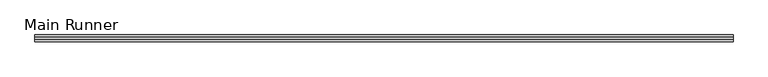
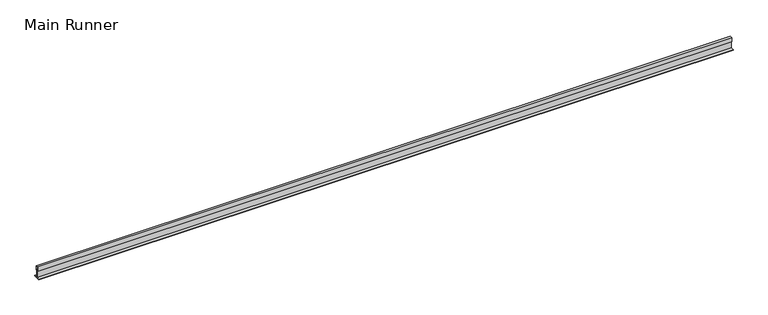
"""IFC4 building model written with IfcOpenShell, lengths in millimetres: beam geometry, Main Runner."""

from ifc_helpers import new_model, si_unit, frame, origin, place, context, project, spatial, polyline, outline, extrude, source, transform, mapped, element, save


def main_runner_67487053(model_context):
    return source(origin(), model_context, "Body", "SweptSolid", [
        extrude(outline(polyline([(-11.0, -2.0), (-11.0, 0.0), (-1.0, 0.0), (-1.0, 24.0), (-4.0, 24.0), (-4.0, 38.1243468), (4.0, 38.1243468), (4.0, 24.0), (1.0, 24.0), (1.0, 0.0), (11.0, 0.0), (11.0, -2.0), (0.0, -2.0), (-11.0, -2.0)]), holes=[polyline([(-3.0, 37.1243468), (-3.0, 25.0), (0.0, 25.0), (3.0169966, 25.0), (3.0169966, 37.1243468), (-3.0, 37.1243468)])]), frame((-2106.3298608, 0.0, 0.0), z_axis=(1.0, 0.0, 0.0), x_axis=(0.0, 1.0, 0.0)), (0.0, 0.0, 1.0), 2288.1034703),
    ])


if __name__ == "__main__":
    model = new_model("IFC4")
    model_context = context("Model", 3, world=origin())
    ifc_project = project(units=[si_unit("LENGTHUNIT", "METRE", prefix="MILLI")], contexts=[model_context])
    site = spatial("IfcSite", under=ifc_project)
    building = spatial("IfcBuilding", under=site)
    placement = place(None, origin())
    main_runner_shape = main_runner_67487053(model_context)
    element("IfcBeam", 1, ObjectType="Main Runner", at=placement, inside=building, context=model_context, shape_type="MappedRepresentation", body=[
        mapped(main_runner_shape, transform((0.0, 0.0, 0.0), x_axis=(1.0, 0.0, 0.0), y_axis=(0.0, 1.0, 0.0), z_axis=(0.0, 0.0, 1.0))),
    ])
    save(model, "model.ifc")
